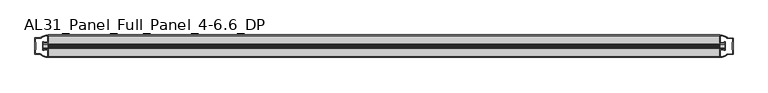
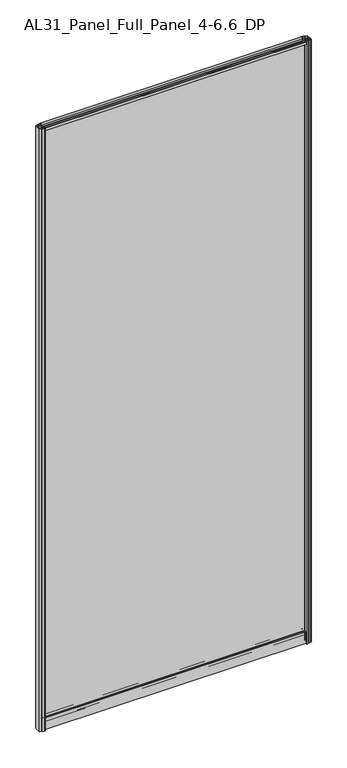
"""IFC4 building model written with IfcOpenShell, lengths in millimetres: plate geometry, AL31_Panel_Full_Panel_4-6.6_DP."""

from ifc_helpers import new_model, si_unit, point, frame, frame_2d, origin, origin_with_axes, place, context, project, spatial, polyline, circle_curve, trimmed, segment, composite_curve, outline, extrude, source, transform, mapped, element, save


def al31_panel_full_panel_4_6_6_dp_797fef1a(model_context):
    return source(origin(), model_context, "Body", "SweptSolid", [
        extrude(outline(composite_curve([segment(trimmed(circle_curve(frame_2d((-19.957, 2461.8572926)), 3.0), [point((-18.457, 2464.4553688))], [point((-17.4851586, 2460.1572926))], False, "CARTESIAN"), True, "CONTINUOUS"), segment(polyline([(-17.4851586, 2460.1572926), (-4.157, 2460.1572926), (-4.157, 2469.5572926), (-2.857, 2469.5572926), (-2.857, 2459.0572926), (-13.1545312, 2459.0572926), (-13.1545312, 2458.2572926), (-13.6601218, 2456.3357964), (-13.6601218, 2451.6572926), (-14.857, 2451.6572926), (-14.857, 2456.9912672), (-14.357, 2457.8572926), (-14.357, 2459.0572926), (-25.357, 2459.0572926), (-25.357, 2457.8572926), (-24.857, 2456.9912672), (-24.857, 2451.6572926), (-26.0538782, 2451.6572926), (-26.0538782, 2456.3357964), (-26.5594688, 2458.2572926), (-26.5594688, 2459.0572926), (-36.857, 2459.0572926), (-36.857, 2469.5572926), (-35.557, 2469.5572926), (-35.557, 2460.1572926), (-22.4288414, 2460.1572926)]), True, "CONTINUOUS"), segment(trimmed(circle_curve(frame_2d((-19.957, 2461.8572926)), 3.0), [point((-22.4288414, 2460.1572926))], [point((-21.457, 2464.4553688))], False, "CARTESIAN"), True, "CONTINUOUS"), segment(polyline([(-21.457, 2464.4553688), (-20.907, 2463.5027409)]), True, "CONTINUOUS"), segment(trimmed(circle_curve(frame_2d((-19.957, 2461.8572926)), 1.9), [point((-20.907, 2463.5027409))], [point((-19.007, 2463.5027409))], True, "CARTESIAN"), True, "CONTINUOUS"), segment(polyline([(-19.007, 2463.5027409), (-18.457, 2464.4553688)]), True, "CONTINUOUS")], self_intersect=False)), frame((-506.5, 0.0, 0.0), z_axis=(1.0, 0.0, 0.0), x_axis=(0.0, 1.0, 0.0)), (0.0, 0.0, 1.0), 1013.0),
        extrude(outline(composite_curve([segment(polyline([(-11.457, 35.8), (-28.257, 35.8)]), True, "CONTINUOUS"), segment(trimmed(circle_curve(frame_2d((-28.257, 34.8)), 1.0), [point((-28.257, 35.8))], [point((-29.257, 34.8))], True, "CARTESIAN"), True, "CONTINUOUS"), segment(polyline([(-29.257, 34.8), (-29.257, 33.5), (-24.8569697, 33.5), (-24.8569697, 32.3), (-29.257, 32.3), (-29.257, 0.0), (-30.457, 0.0), (-30.457, 47.3)]), True, "CONTINUOUS"), segment(trimmed(circle_curve(frame_2d((-28.457, 47.3)), 2.0), [point((-30.457, 47.3))], [point((-28.457, 49.3))], False, "CARTESIAN"), True, "CONTINUOUS"), segment(polyline([(-28.457, 49.3), (-24.857, 49.3), (-24.857, 41.9), (-14.857, 41.9), (-14.857, 49.3), (-11.257, 49.3)]), True, "CONTINUOUS"), segment(trimmed(circle_curve(frame_2d((-11.257, 47.3)), 2.0), [point((-11.257, 49.3))], [point((-9.257, 47.3))], False, "CARTESIAN"), True, "CONTINUOUS"), segment(polyline([(-9.257, 47.3), (-9.257, 0.0), (-10.457, 0.0), (-10.457, 32.3), (-14.8569697, 32.3), (-14.8569697, 33.5), (-10.457, 33.5), (-10.457, 34.8)]), True, "CONTINUOUS"), segment(trimmed(circle_curve(frame_2d((-11.457, 34.8)), 1.0), [point((-10.457, 34.8))], [point((-11.457, 35.8))], True, "CARTESIAN"), True, "CONTINUOUS")], self_intersect=False), holes=[composite_curve([segment(polyline([(-26.3594688, 41.8), (-26.3594688, 42.9)]), True, "CONTINUOUS"), segment(trimmed(circle_curve(frame_2d((-25.1594688, 42.9)), 1.2), [point((-26.3594688, 42.9))], [point((-25.9768184, 43.7786009))], False, "CARTESIAN"), True, "CONTINUOUS"), segment(polyline([(-25.9768184, 43.7786009), (-25.9768184, 48.2), (-28.257, 48.2)]), True, "CONTINUOUS"), segment(trimmed(circle_curve(frame_2d((-28.257, 47.2)), 1.0), [point((-28.257, 48.2))], [point((-29.257, 47.2))], True, "CARTESIAN"), True, "CONTINUOUS"), segment(polyline([(-29.257, 47.2), (-29.257, 37.04), (-22.6578965, 37.04), (-22.6578965, 38.0725806), (-21.6940508, 38.0725806)]), True, "CONTINUOUS"), segment(trimmed(circle_curve(frame_2d((-19.857, 39.1)), 2.1048387), [point((-21.6940508, 38.0725806))], [point((-18.0199492, 38.0725806))], True, "CARTESIAN"), True, "CONTINUOUS"), segment(polyline([(-18.0199492, 38.0725806), (-17.0561035, 38.0725806), (-17.0561035, 37.04), (-10.457, 37.04), (-10.457, 47.2)]), True, "CONTINUOUS"), segment(trimmed(circle_curve(frame_2d((-11.457, 47.2)), 1.0), [point((-10.457, 47.2))], [point((-11.457, 48.2))], True, "CARTESIAN"), True, "CONTINUOUS"), segment(polyline([(-11.457, 48.2), (-13.7371816, 48.2), (-13.7371816, 43.5786009)]), True, "CONTINUOUS"), segment(trimmed(circle_curve(frame_2d((-14.5545312, 42.7)), 1.2), [point((-13.7371816, 43.5786009))], [point((-13.3545312, 42.7))], False, "CARTESIAN"), True, "CONTINUOUS"), segment(polyline([(-13.3545312, 42.7), (-13.3545312, 41.8)]), True, "CONTINUOUS"), segment(trimmed(circle_curve(frame_2d((-14.3545312, 41.8)), 1.0), [point((-13.3545312, 41.8))], [point((-14.3545312, 40.8))], False, "CARTESIAN"), True, "CONTINUOUS"), segment(polyline([(-14.3545312, 40.8), (-17.0561035, 40.8), (-17.0561035, 39.7274194), (-18.0199492, 39.7274194)]), True, "CONTINUOUS"), segment(trimmed(circle_curve(frame_2d((-19.857, 38.7)), 2.1048387), [point((-18.0199492, 39.7274194))], [point((-21.6940508, 39.7274194))], True, "CARTESIAN"), True, "CONTINUOUS"), segment(polyline([(-21.6940508, 39.7274194), (-22.6578965, 39.7274194), (-22.6578965, 40.8), (-25.3594688, 40.8)]), True, "CONTINUOUS"), segment(trimmed(circle_curve(frame_2d((-25.3594688, 41.8)), 1.0), [point((-25.3594688, 40.8))], [point((-26.3594688, 41.8))], False, "CARTESIAN"), True, "CONTINUOUS")], self_intersect=False)]), frame((-506.5, 0.0, 0.0), z_axis=(1.0, 0.0, 0.0), x_axis=(0.0, 1.0, 0.0)), (0.0, 0.0, 1.0), 1013.0),
        extrude(outline(composite_curve([segment(polyline([(-514.3414214, -25.757), (-513.1414214, -25.757), (-513.1414214, -24.857), (-506.5, -24.857), (-506.5, -36.8571453)]), True, "CONTINUOUS"), segment(trimmed(circle_curve(frame_2d((-506.1353484, -16.8604698)), 20.0), [point((-506.5, -36.8571453))], [point((-517.8558352, -33.0663388))], False, "CARTESIAN"), True, "CONTINUOUS"), segment(polyline([(-517.8558352, -33.0663388), (-517.8558352, -32.1849343), (-526.5, -32.1849343), (-526.5, -7.4849343), (-517.8558352, -7.4849343), (-517.8558352, -6.6474751)]), True, "CONTINUOUS"), segment(trimmed(circle_curve(frame_2d((-506.1353484, -22.8533441)), 20.0), [point((-517.8558352, -6.6474751))], [point((-506.5, -2.8566686))], False, "CARTESIAN"), True, "CONTINUOUS"), segment(polyline([(-506.5, -2.8566686), (-506.5, -14.857), (-513.1414214, -14.857), (-513.1414214, -13.957), (-514.3414214, -13.957), (-514.3414214, -25.757)]), True, "CONTINUOUS")], self_intersect=False), holes=[composite_curve([segment(trimmed(circle_curve(frame_2d((-513.3414214, -14.157)), 1.5), [point((-513.3414214, -12.657))], [point((-511.9861671, -13.5141269))], False, "CARTESIAN"), True, "CONTINUOUS"), segment(polyline([(-511.9861671, -13.5141269), (-508.2414214, -13.5141269), (-508.2414214, -8.917777), (-507.8020815, -7.8571168), (-507.8020815, -4.2070183)]), True, "CONTINUOUS"), segment(trimmed(circle_curve(frame_2d((-506.1353484, -22.8325921)), 18.7), [point((-507.8020815, -4.2070183))], [point((-516.1421262, -7.0353013))], True, "CARTESIAN"), True, "CONTINUOUS"), segment(trimmed(circle_curve(frame_2d((-517.9414214, -6.9849343)), 1.8), [point((-516.1421262, -7.0353013))], [point((-517.9414214, -8.7849343))], False, "CARTESIAN"), True, "CONTINUOUS"), segment(polyline([(-517.9414214, -8.7849343), (-525.0828427, -8.7849343), (-525.0828427, -13.3550394), (-524.6414214, -14.417777), (-524.6414214, -25.2520916), (-525.1414214, -26.2449987), (-525.1414214, -30.8849343), (-517.9414214, -30.8849343)]), True, "CONTINUOUS"), segment(trimmed(circle_curve(frame_2d((-517.9414214, -32.6849343)), 1.8), [point((-517.9414214, -30.8849343))], [point((-516.1421262, -32.6345673))], False, "CARTESIAN"), True, "CONTINUOUS"), segment(trimmed(circle_curve(frame_2d((-506.1353484, -16.8372765)), 18.7), [point((-516.1421262, -32.6345673))], [point((-507.8020815, -35.4628503))], True, "CARTESIAN"), True, "CONTINUOUS"), segment(polyline([(-507.8020815, -35.4628503), (-507.8020815, -31.8127518), (-508.2414214, -30.7520916), (-508.2414214, -26.1561308), (-511.9662696, -26.1561308)]), True, "CONTINUOUS"), segment(trimmed(circle_curve(frame_2d((-513.3414214, -25.557)), 1.5), [point((-511.9662696, -26.1561308))], [point((-513.3414214, -27.057))], False, "CARTESIAN"), True, "CONTINUOUS"), segment(polyline([(-513.3414214, -27.057), (-515.6414214, -27.057), (-515.6414214, -12.657), (-513.3414214, -12.657)]), True, "CONTINUOUS")], self_intersect=False)]), origin_with_axes(), (0.0, 0.0, 1.0), 2469.5572926),
        extrude(outline(composite_curve([segment(polyline([(514.3414214, -13.957), (513.1414214, -13.957), (513.1414214, -14.857), (506.5, -14.857), (506.5, -2.8568547)]), True, "CONTINUOUS"), segment(trimmed(circle_curve(frame_2d((506.1353484, -22.8535302)), 20.0), [point((506.5, -2.8568547))], [point((517.8558352, -6.6476612))], False, "CARTESIAN"), True, "CONTINUOUS"), segment(polyline([(517.8558352, -6.6476612), (517.8558352, -7.5290657), (526.5, -7.5290657), (526.5, -32.2290657), (517.8558352, -32.2290657), (517.8558352, -33.0665249)]), True, "CONTINUOUS"), segment(trimmed(circle_curve(frame_2d((506.1353484, -16.8606559)), 20.0), [point((517.8558352, -33.0665249))], [point((506.5, -36.8573314))], False, "CARTESIAN"), True, "CONTINUOUS"), segment(polyline([(506.5, -36.8573314), (506.5, -24.857), (513.1414214, -24.857), (513.1414214, -25.757), (514.3414214, -25.757), (514.3414214, -13.957)]), True, "CONTINUOUS")], self_intersect=False), holes=[composite_curve([segment(trimmed(circle_curve(frame_2d((513.3414214, -25.557)), 1.5), [point((513.3414214, -27.057))], [point((511.9861671, -26.1998731))], False, "CARTESIAN"), True, "CONTINUOUS"), segment(polyline([(511.9861671, -26.1998731), (508.2414214, -26.1998731), (508.2414214, -30.796223), (507.8020815, -31.8568832), (507.8020815, -35.5069817)]), True, "CONTINUOUS"), segment(trimmed(circle_curve(frame_2d((506.1353484, -16.8814079)), 18.7), [point((507.8020815, -35.5069817))], [point((516.1421262, -32.6786987))], True, "CARTESIAN"), True, "CONTINUOUS"), segment(trimmed(circle_curve(frame_2d((517.9414214, -32.7290657)), 1.8), [point((516.1421262, -32.6786987))], [point((517.9414214, -30.9290657))], False, "CARTESIAN"), True, "CONTINUOUS"), segment(polyline([(517.9414214, -30.9290657), (525.0828427, -30.9290657), (525.0828427, -26.3589606), (524.6414214, -25.296223), (524.6414214, -14.4619084), (525.1414214, -13.4690013), (525.1414214, -8.8290657), (517.9414214, -8.8290657)]), True, "CONTINUOUS"), segment(trimmed(circle_curve(frame_2d((517.9414214, -7.0290657)), 1.8), [point((517.9414214, -8.8290657))], [point((516.1421262, -7.0794327))], False, "CARTESIAN"), True, "CONTINUOUS"), segment(trimmed(circle_curve(frame_2d((506.1353484, -22.8767235)), 18.7), [point((516.1421262, -7.0794327))], [point((507.8020815, -4.2511497))], True, "CARTESIAN"), True, "CONTINUOUS"), segment(polyline([(507.8020815, -4.2511497), (507.8020815, -7.9012482), (508.2414214, -8.9619084), (508.2414214, -13.5578692), (511.9662696, -13.5578692)]), True, "CONTINUOUS"), segment(trimmed(circle_curve(frame_2d((513.3414214, -14.157)), 1.5), [point((511.9662696, -13.5578692))], [point((513.3414214, -12.657))], False, "CARTESIAN"), True, "CONTINUOUS"), segment(polyline([(513.3414214, -12.657), (515.6414214, -12.657), (515.6414214, -27.057), (513.3414214, -27.057)]), True, "CONTINUOUS")], self_intersect=False)]), origin_with_axes(), (0.0, 0.0, 1.0), 2469.5572926),
        extrude(outline(polyline([(514.3414214, -17.857), (514.3414214, -21.857), (-514.3414214, -21.857), (-514.3414214, -17.857), (514.3414214, -17.857)])), frame((0.0, 0.0, 41.9), z_axis=(0.0, 0.0, 1.0), x_axis=(1.0, 0.0, 0.0)), (0.0, 0.0, 1.0), 2417.1572926),
    ])


if __name__ == "__main__":
    model = new_model("IFC4")
    model_context = context("Model", 3, world=origin())
    ifc_project = project(units=[si_unit("LENGTHUNIT", "METRE", prefix="MILLI")], contexts=[model_context])
    site = spatial("IfcSite", under=ifc_project)
    building = spatial("IfcBuilding", under=site)
    placement = place(None, origin())
    al31_panel_full_panel_4_6_6_dp_shape = al31_panel_full_panel_4_6_6_dp_797fef1a(model_context)
    element("IfcPlate", 1, ObjectType="AL31_Panel_Full_Panel_4-6.6_DP", at=placement, inside=building, context=model_context, shape_type="MappedRepresentation", body=[
        mapped(al31_panel_full_panel_4_6_6_dp_shape, transform((0.0, 0.0, 0.0), x_axis=(1.0, 0.0, 0.0), y_axis=(0.0, 1.0, 0.0), z_axis=(0.0, 0.0, 1.0))),
    ])
    save(model, "model.ifc")
